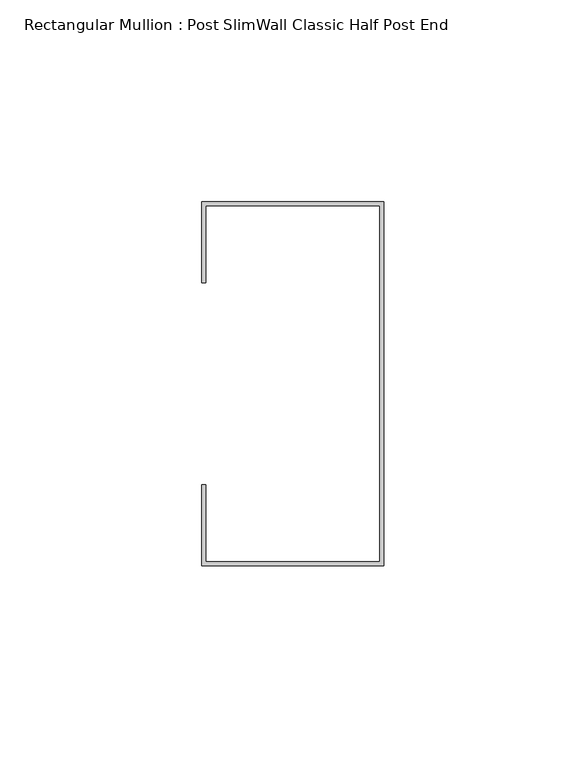
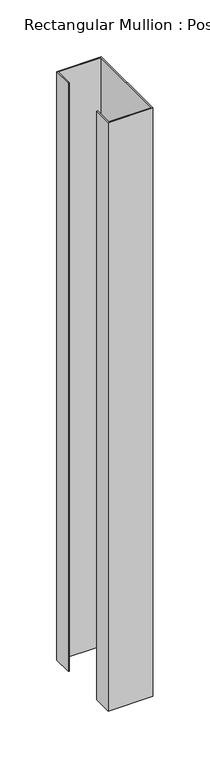
"""IFC4 building model written with IfcOpenShell, lengths in millimetres: member geometry, Rectangular Mullion : Post SlimWall Classic Half Post End."""

from ifc_helpers import new_model, si_unit, frame, origin, place, context, project, spatial, polyline, outline, extrude, source, transform, mapped, element, save


def rectangular_mullion_post_slimwall_classic_half_post_end_8314980c(model_context):
    return source(origin(), model_context, "Body", "SweptSolid", [
        extrude(outline(polyline([(-44.05, 44.05), (-44.05, 25.0), (-45.0, 25.0), (-45.0, 45.0), (0.0, 45.0), (0.0, -45.0), (-45.0, -45.0), (-45.0, -25.0), (-44.05, -25.0), (-44.05, -44.05), (-0.95, -44.05), (-0.95, 44.05), (-44.05, 44.05)])), frame((0.0, 0.0, -630.45), z_axis=(0.0, 0.0, 1.0), x_axis=(1.0, 0.0, 0.0)), (0.0, 0.0, 1.0), 630.45),
    ])


if __name__ == "__main__":
    model = new_model("IFC4")
    model_context = context("Model", 3, world=origin())
    ifc_project = project(units=[si_unit("LENGTHUNIT", "METRE", prefix="MILLI")], contexts=[model_context])
    site = spatial("IfcSite", under=ifc_project)
    building = spatial("IfcBuilding", under=site)
    placement = place(None, origin())
    rectangular_mullion_post_slimwall_classic_half_post_end_shape = rectangular_mullion_post_slimwall_classic_half_post_end_8314980c(model_context)
    element("IfcMember", 1, ObjectType="Rectangular Mullion : Post SlimWall Classic Half Post End", at=placement, inside=building, context=model_context, shape_type="MappedRepresentation", body=[
        mapped(rectangular_mullion_post_slimwall_classic_half_post_end_shape, transform((0.0, 0.0, 0.0), x_axis=(1.0, 0.0, 0.0), y_axis=(0.0, 1.0, 0.0), z_axis=(0.0, 0.0, 1.0))),
    ])
    save(model, "model.ifc")
